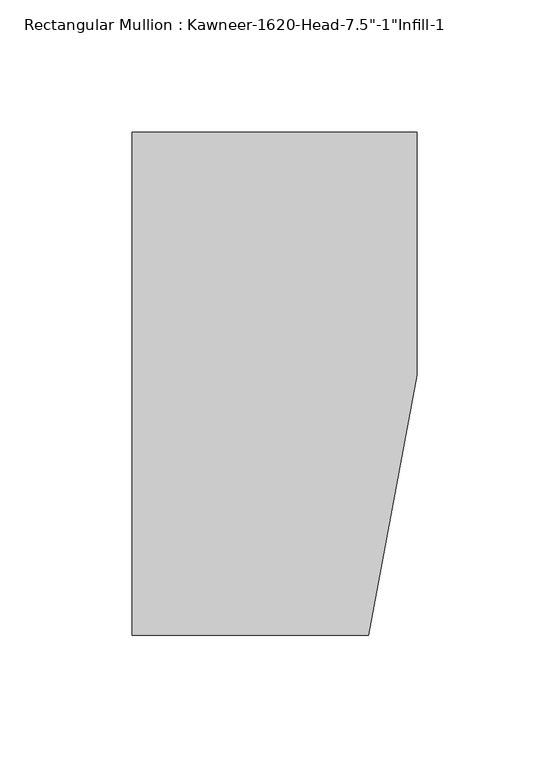
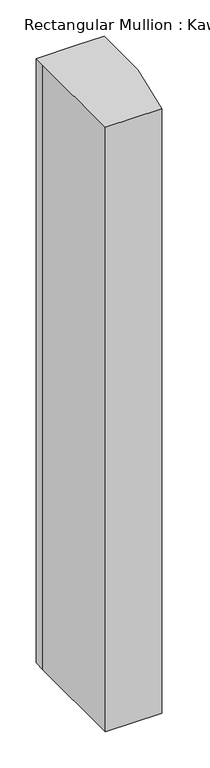
"""IFC4 building model written with IfcOpenShell, lengths in millimetres: member geometry."""

from ifc_helpers import new_model, si_unit, frame, origin, place, context, project, spatial, polyline, outline, extrude, source, transform, mapped, element, save


def member_622cc8a0(model_context):
    return source(origin(), model_context, "Body", "SweptSolid", [
        extrude(outline(polyline([(-107.95, 19.9095466), (-107.95, 38.1), (-44.1519366, 38.1), (0.0, 38.1), (0.0, -53.975), (-18.3538271, -152.4), (-107.95, -152.4), (-107.95, 19.9095466)])), frame((0.0, 0.0, -1016.0), z_axis=(0.0, 0.0, 1.0), x_axis=(1.0, 0.0, 0.0)), (0.0, 0.0, 1.0), 1016.0),
    ])


if __name__ == "__main__":
    model = new_model("IFC4")
    model_context = context("Model", 3, world=origin())
    ifc_project = project(units=[si_unit("LENGTHUNIT", "METRE", prefix="MILLI")], contexts=[model_context])
    site = spatial("IfcSite", under=ifc_project)
    building = spatial("IfcBuilding", under=site)
    placement = place(None, origin())
    member_shape = member_622cc8a0(model_context)
    element("IfcMember", 1, ObjectType="Rectangular Mullion : Kawneer-1620-Head-7.5\"-1\"Infill-1", at=placement, inside=building, context=model_context, shape_type="MappedRepresentation", body=[
        mapped(member_shape, transform((0.0, 0.0, 0.0), x_axis=(1.0, 0.0, 0.0), y_axis=(0.0, 1.0, 0.0), z_axis=(0.0, 0.0, 1.0))),
    ])
    save(model, "model.ifc")
